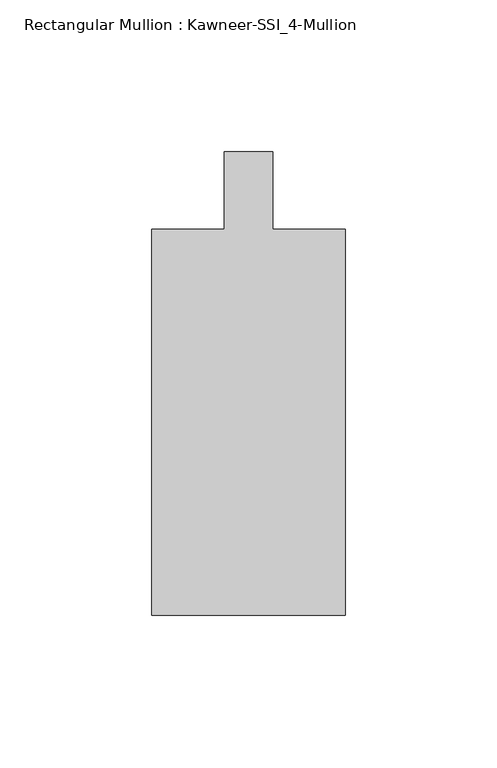
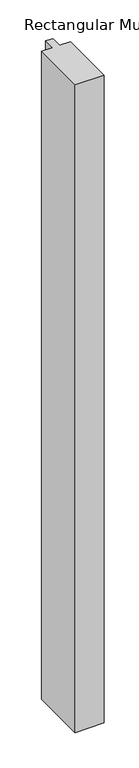
"""IFC4 building model written with IfcOpenShell, lengths in millimetres: member geometry, Rectangular Mullion : Kawneer-SSI_4-Mullion."""

from ifc_helpers import new_model, si_unit, frame, origin, place, context, project, spatial, polyline, outline, extrude, source, transform, mapped, element, save


def rectangular_mullion_kawneer_ssi_4_mullion_f361b3e5(model_context):
    return source(origin(), model_context, "Body", "SweptSolid", [
        extrude(outline(polyline([(-31.75, -139.7), (-31.75, -12.7), (-7.9375, -12.7), (-7.9375, 12.7), (7.9375, 12.7), (7.9375, -12.7), (31.75, -12.7), (31.75, -139.7), (-31.75, -139.7)])), frame((0.0, 0.0, -1492.25), z_axis=(0.0, 0.0, 1.0), x_axis=(1.0, 0.0, 0.0)), (0.0, 0.0, 1.0), 1492.25),
    ])


if __name__ == "__main__":
    model = new_model("IFC4")
    model_context = context("Model", 3, world=origin())
    ifc_project = project(units=[si_unit("LENGTHUNIT", "METRE", prefix="MILLI")], contexts=[model_context])
    site = spatial("IfcSite", under=ifc_project)
    building = spatial("IfcBuilding", under=site)
    placement = place(None, origin())
    rectangular_mullion_kawneer_ssi_4_mullion_shape = rectangular_mullion_kawneer_ssi_4_mullion_f361b3e5(model_context)
    element("IfcMember", 1, ObjectType="Rectangular Mullion : Kawneer-SSI_4-Mullion", at=placement, inside=building, context=model_context, shape_type="MappedRepresentation", body=[
        mapped(rectangular_mullion_kawneer_ssi_4_mullion_shape, transform((0.0, 0.0, 0.0), x_axis=(1.0, 0.0, 0.0), y_axis=(0.0, 1.0, 0.0), z_axis=(0.0, 0.0, 1.0))),
    ])
    save(model, "model.ifc")
